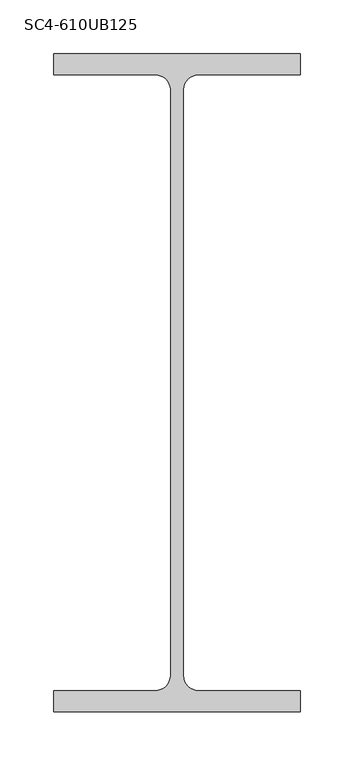
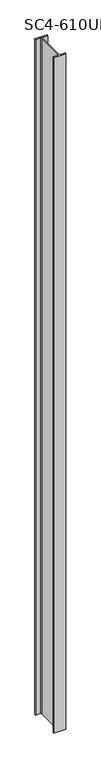
"""IFC4 building model written with IfcOpenShell, lengths in millimetres: column geometry, SC4-610UB125."""

from ifc_helpers import new_model, si_unit, point, frame, frame_2d, origin, place, context, project, spatial, polyline, circle_curve, trimmed, segment, composite_curve, outline, extrude, source, transform, mapped, element, save


def sc4_610ub125_967c69c4(model_context):
    return source(origin(), model_context, "Body", "SweptSolid", [
        extrude(outline(composite_curve([segment(polyline([(114.5, -305.8), (-114.5, -305.8), (-114.5, -286.2), (-19.95, -286.2)]), True, "CONTINUOUS"), segment(trimmed(circle_curve(frame_2d((-19.95, -272.2)), 14.0), [point((-19.95, -286.2))], [point((-5.95, -272.2))], True, "CARTESIAN"), True, "CONTINUOUS"), segment(polyline([(-5.95, -272.2), (-5.95, 272.2)]), True, "CONTINUOUS"), segment(trimmed(circle_curve(frame_2d((-19.95, 272.2)), 14.0), [point((-5.95, 272.2))], [point((-19.95, 286.2))], True, "CARTESIAN"), True, "CONTINUOUS"), segment(polyline([(-19.95, 286.2), (-114.5, 286.2), (-114.5, 305.8), (114.5, 305.8), (114.5, 286.2), (19.95, 286.2)]), True, "CONTINUOUS"), segment(trimmed(circle_curve(frame_2d((19.95, 272.2)), 14.0), [point((19.95, 286.2))], [point((5.95, 272.2))], True, "CARTESIAN"), True, "CONTINUOUS"), segment(polyline([(5.95, 272.2), (5.95, -272.2)]), True, "CONTINUOUS"), segment(trimmed(circle_curve(frame_2d((19.95, -272.2)), 14.0), [point((5.95, -272.2))], [point((19.95, -286.2))], True, "CARTESIAN"), True, "CONTINUOUS"), segment(polyline([(19.95, -286.2), (114.5, -286.2), (114.5, -305.8)]), True, "CONTINUOUS")], self_intersect=False)), frame((0.0, 0.0, 46800.0), z_axis=(0.0, 0.0, 1.0), x_axis=(1.0, 0.0, 0.0)), (0.0, 0.0, 1.0), 13477.0),
    ])


if __name__ == "__main__":
    model = new_model("IFC4")
    model_context = context("Model", 3, world=origin())
    ifc_project = project(units=[si_unit("LENGTHUNIT", "METRE", prefix="MILLI")], contexts=[model_context])
    site = spatial("IfcSite", under=ifc_project)
    building = spatial("IfcBuilding", under=site)
    placement = place(None, origin())
    sc4_610ub125_shape = sc4_610ub125_967c69c4(model_context)
    element("IfcColumn", 1, ObjectType="SC4-610UB125", at=placement, inside=building, context=model_context, shape_type="MappedRepresentation", body=[
        mapped(sc4_610ub125_shape, transform((0.0, 0.0, 0.0), x_axis=(1.0, 0.0, 0.0), y_axis=(0.0, 1.0, 0.0), z_axis=(0.0, 0.0, 1.0))),
    ])
    save(model, "model.ifc")
